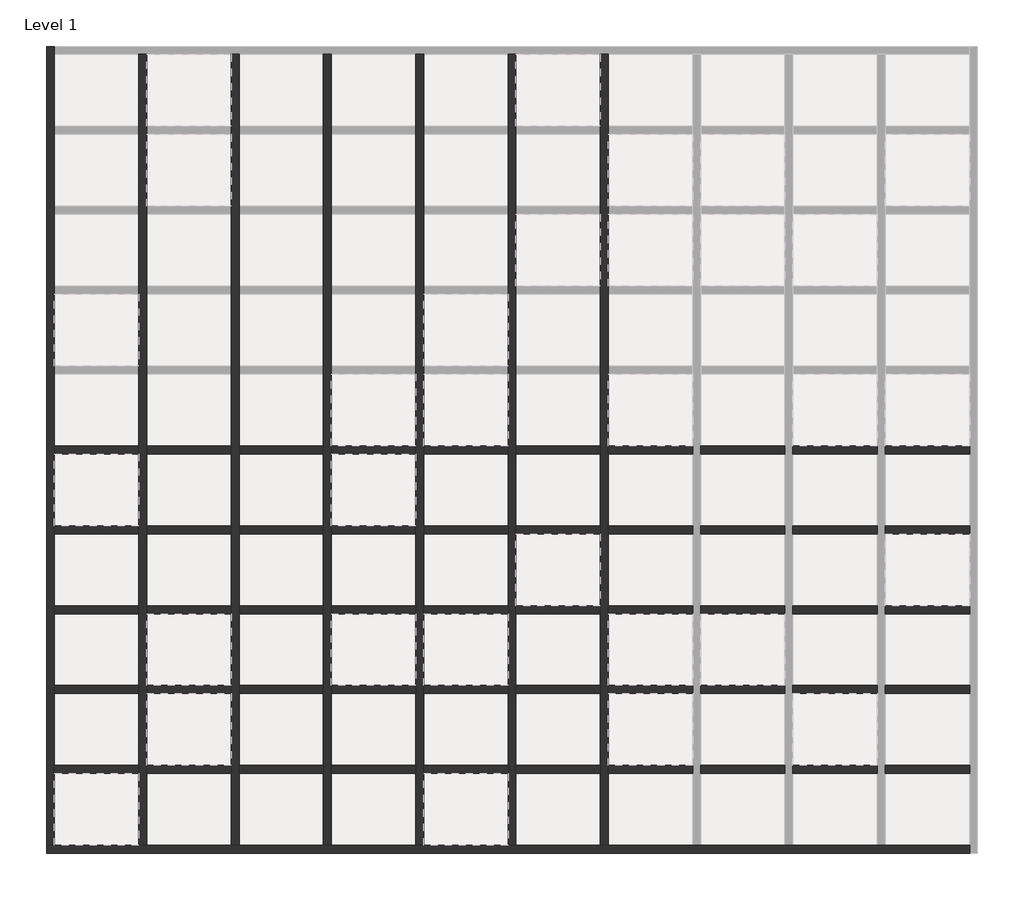
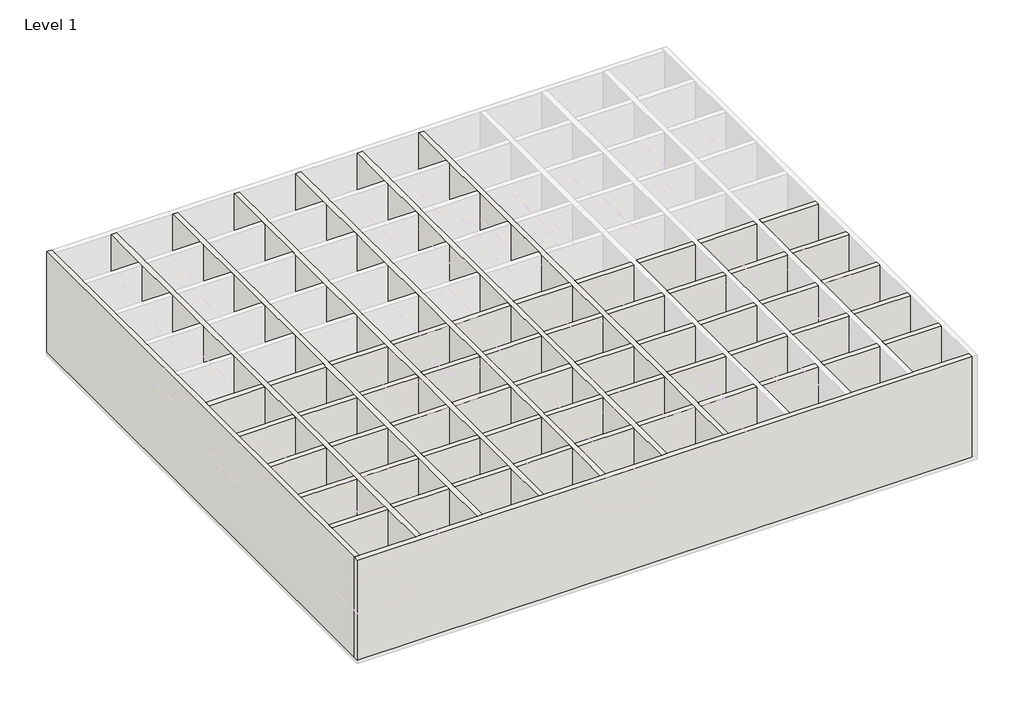
# One storey, part 1 of 2: 13 walls.
"""IFC4 building model written with IfcOpenShell, lengths in millimetres."""

from ifc_helpers import new_model, si_unit, origin, origin_with_axes, place, context, project, spatial, polyline, outline, extrude, faceted_brep, element, save

model = new_model("IFC4")

# Units and contexts
model_context = context("Model", 3, world=origin())
ifc_project = project(units=[si_unit("LENGTHUNIT", "METRE", prefix="MILLI")], contexts=[model_context])

# Site, building, storey
site = spatial("IfcSite", under=ifc_project)
building = spatial("IfcBuilding", under=site)
storey = spatial("IfcBuildingStorey", under=building, Name="Level 1", Elevation=0.0)

# Walls
placement = place(None, origin())
element("IfcWall", 1, ObjectType="Generic - 200mm", at=placement, inside=storey, context=model_context, shape_type="Brep", body=[
    faceted_brep([(-15110.2064839, 9457.4578138, 0.0), (-15110.2064839, -10653.6532974, 0.0), (-15110.2064839, -10653.6532974, 4000.0), (-15110.2064839, 9457.4578138, 4000.0), (-14910.2064839, 9457.4578138, 0.0), (-14910.2064839, 9457.4578138, 4000.0), (-14910.2064839, 9257.4578138, 4000.0), (-14910.2064839, 7446.3467026, 4000.0), (-14910.2064839, 7246.3467026, 4000.0), (-14910.2064839, 5435.2355915, 4000.0), (-14910.2064839, 5235.2355915, 4000.0), (-14910.2064839, 3424.1244804, 4000.0), (-14910.2064839, 3224.1244804, 4000.0), (-14910.2064839, 1413.0133693, 4000.0), (-14910.2064839, 1213.0133693, 4000.0), (-14910.2064839, -598.0977418, 4000.0), (-14910.2064839, -798.0977418, 4000.0), (-14910.2064839, -2609.2088529, 4000.0), (-14910.2064839, -2809.2088529, 4000.0), (-14910.2064839, -4620.319964, 4000.0), (-14910.2064839, -4820.319964, 4000.0), (-14910.2064839, -6631.4310751, 4000.0), (-14910.2064839, -6831.4310751, 4000.0), (-14910.2064839, -8642.5421862, 4000.0), (-14910.2064839, -8842.5421862, 4000.0), (-14910.2064839, -10653.6532974, 4000.0), (-14910.2064839, -10653.6532974, 0.0), (-14910.2064839, -8842.5421862, 0.0), (-14910.2064839, -8642.5421862, 0.0), (-14910.2064839, -6831.4310751, 0.0), (-14910.2064839, -6631.4310751, 0.0), (-14910.2064839, -4820.319964, 0.0), (-14910.2064839, -4620.319964, 0.0), (-14910.2064839, -2809.2088529, 0.0), (-14910.2064839, -2609.2088529, 0.0), (-14910.2064839, -798.0977418, 0.0), (-14910.2064839, -598.0977418, 0.0), (-14910.2064839, 1213.0133693, 0.0), (-14910.2064839, 1413.0133693, 0.0), (-14910.2064839, 3224.1244804, 0.0), (-14910.2064839, 3424.1244804, 0.0), (-14910.2064839, 5235.2355915, 0.0), (-14910.2064839, 5435.2355915, 0.0), (-14910.2064839, 7246.3467026, 0.0), (-14910.2064839, 7446.3467026, 0.0), (-14910.2064839, 9257.4578138, 0.0)], [[[0, 1, 2, 3]], [[4, 5, 6, 7, 8, 9, 10, 11, 12, 13, 14, 15, 16, 17, 18, 19, 20, 21, 22, 23, 24, 25, 26, 27, 28, 29, 30, 31, 32, 33, 34, 35, 36, 37, 38, 39, 40, 41, 42, 43, 44, 45]], [[1, 0, 4, 45, 44, 43, 42, 41, 40, 39, 38, 37, 36, 35, 34, 33, 32, 31, 30, 29, 28, 27, 26]], [[3, 2, 25, 24, 23, 22, 21, 20, 19, 18, 17, 16, 15, 14, 13, 12, 11, 10, 9, 8, 7, 6, 5]], [[0, 3, 5, 4]], [[2, 1, 26, 25]]]),
])
element("IfcWall", 2, ObjectType="Generic - 200mm", at=placement, inside=storey, context=model_context, shape_type="Brep", body=[
    faceted_brep([(-12787.9842617, 9257.4578138, 0.0), (-12787.9842617, 7446.3467026, 0.0), (-12787.9842617, 7246.3467026, 0.0), (-12787.9842617, 5435.2355915, 0.0), (-12787.9842617, 5235.2355915, 0.0), (-12787.9842617, 3424.1244804, 0.0), (-12787.9842617, 3224.1244804, 0.0), (-12787.9842617, 1413.0133693, 0.0), (-12787.9842617, 1213.0133693, 0.0), (-12787.9842617, -598.0977418, 0.0), (-12787.9842617, -798.0977418, 0.0), (-12787.9842617, -2609.2088529, 0.0), (-12787.9842617, -2809.2088529, 0.0), (-12787.9842617, -4620.319964, 0.0), (-12787.9842617, -4820.319964, 0.0), (-12787.9842617, -6631.4310751, 0.0), (-12787.9842617, -6831.4310751, 0.0), (-12787.9842617, -8642.5421862, 0.0), (-12787.9842617, -8842.5421862, 0.0), (-12787.9842617, -10653.6532974, 0.0), (-12787.9842617, -10653.6532974, 4000.0), (-12787.9842617, -8842.5421862, 4000.0), (-12787.9842617, -8642.5421862, 4000.0), (-12787.9842617, -6831.4310751, 4000.0), (-12787.9842617, -6631.4310751, 4000.0), (-12787.9842617, -4820.319964, 4000.0), (-12787.9842617, -4620.319964, 4000.0), (-12787.9842617, -2809.2088529, 4000.0), (-12787.9842617, -2609.2088529, 4000.0), (-12787.9842617, -798.0977418, 4000.0), (-12787.9842617, -598.0977418, 4000.0), (-12787.9842617, 1213.0133693, 4000.0), (-12787.9842617, 1413.0133693, 4000.0), (-12787.9842617, 3224.1244804, 4000.0), (-12787.9842617, 3424.1244804, 4000.0), (-12787.9842617, 5235.2355915, 4000.0), (-12787.9842617, 5435.2355915, 4000.0), (-12787.9842617, 7246.3467026, 4000.0), (-12787.9842617, 7446.3467026, 4000.0), (-12787.9842617, 9257.4578138, 4000.0), (-12587.9842617, 9257.4578138, 0.0), (-12587.9842617, 9257.4578138, 4000.0), (-12587.9842617, 7446.3467026, 4000.0), (-12587.9842617, 7246.3467026, 4000.0), (-12587.9842617, 5435.2355915, 4000.0), (-12587.9842617, 5235.2355915, 4000.0), (-12587.9842617, 3424.1244804, 4000.0), (-12587.9842617, 3224.1244804, 4000.0), (-12587.9842617, 1413.0133693, 4000.0), (-12587.9842617, 1213.0133693, 4000.0), (-12587.9842617, -598.0977418, 4000.0), (-12587.9842617, -798.0977418, 4000.0), (-12587.9842617, -2609.2088529, 4000.0), (-12587.9842617, -2809.2088529, 4000.0), (-12587.9842617, -4620.319964, 4000.0), (-12587.9842617, -4820.319964, 4000.0), (-12587.9842617, -6631.4310751, 4000.0), (-12587.9842617, -6831.4310751, 4000.0), (-12587.9842617, -8642.5421862, 4000.0), (-12587.9842617, -8842.5421862, 4000.0), (-12587.9842617, -10653.6532974, 4000.0), (-12587.9842617, -10653.6532974, 0.0), (-12587.9842617, -8842.5421862, 0.0), (-12587.9842617, -8642.5421862, 0.0), (-12587.9842617, -6831.4310751, 0.0), (-12587.9842617, -6631.4310751, 0.0), (-12587.9842617, -4820.319964, 0.0), (-12587.9842617, -4620.319964, 0.0), (-12587.9842617, -2809.2088529, 0.0), (-12587.9842617, -2609.2088529, 0.0), (-12587.9842617, -798.0977418, 0.0), (-12587.9842617, -598.0977418, 0.0), (-12587.9842617, 1213.0133693, 0.0), (-12587.9842617, 1413.0133693, 0.0), (-12587.9842617, 3224.1244804, 0.0), (-12587.9842617, 3424.1244804, 0.0), (-12587.9842617, 5235.2355915, 0.0), (-12587.9842617, 5435.2355915, 0.0), (-12587.9842617, 7246.3467026, 0.0), (-12587.9842617, 7446.3467026, 0.0)], [[[0, 1, 2, 3, 4, 5, 6, 7, 8, 9, 10, 11, 12, 13, 14, 15, 16, 17, 18, 19, 20, 21, 22, 23, 24, 25, 26, 27, 28, 29, 30, 31, 32, 33, 34, 35, 36, 37, 38, 39]], [[40, 41, 42, 43, 44, 45, 46, 47, 48, 49, 50, 51, 52, 53, 54, 55, 56, 57, 58, 59, 60, 61, 62, 63, 64, 65, 66, 67, 68, 69, 70, 71, 72, 73, 74, 75, 76, 77, 78, 79]], [[19, 18, 17, 16, 15, 14, 13, 12, 11, 10, 9, 8, 7, 6, 5, 4, 3, 2, 1, 0, 40, 79, 78, 77, 76, 75, 74, 73, 72, 71, 70, 69, 68, 67, 66, 65, 64, 63, 62, 61]], [[39, 38, 37, 36, 35, 34, 33, 32, 31, 30, 29, 28, 27, 26, 25, 24, 23, 22, 21, 20, 60, 59, 58, 57, 56, 55, 54, 53, 52, 51, 50, 49, 48, 47, 46, 45, 44, 43, 42, 41]], [[0, 39, 41, 40]], [[20, 19, 61, 60]]]),
])
element("IfcWall", 3, ObjectType="Generic - 200mm", at=placement, inside=storey, context=model_context, shape_type="Brep", body=[
    faceted_brep([(-10465.7620395, 9257.4578138, 0.0), (-10465.7620395, 7446.3467026, 0.0), (-10465.7620395, 7246.3467026, 0.0), (-10465.7620395, 5435.2355915, 0.0), (-10465.7620395, 5235.2355915, 0.0), (-10465.7620395, 3424.1244804, 0.0), (-10465.7620395, 3224.1244804, 0.0), (-10465.7620395, 1413.0133693, 0.0), (-10465.7620395, 1213.0133693, 0.0), (-10465.7620395, -598.0977418, 0.0), (-10465.7620395, -798.0977418, 0.0), (-10465.7620395, -2609.2088529, 0.0), (-10465.7620395, -2809.2088529, 0.0), (-10465.7620395, -4620.319964, 0.0), (-10465.7620395, -4820.319964, 0.0), (-10465.7620395, -6631.4310751, 0.0), (-10465.7620395, -6831.4310751, 0.0), (-10465.7620395, -8642.5421862, 0.0), (-10465.7620395, -8842.5421862, 0.0), (-10465.7620395, -10653.6532974, 0.0), (-10465.7620395, -10653.6532974, 4000.0), (-10465.7620395, -8842.5421862, 4000.0), (-10465.7620395, -8642.5421862, 4000.0), (-10465.7620395, -6831.4310751, 4000.0), (-10465.7620395, -6631.4310751, 4000.0), (-10465.7620395, -4820.319964, 4000.0), (-10465.7620395, -4620.319964, 4000.0), (-10465.7620395, -2809.2088529, 4000.0), (-10465.7620395, -2609.2088529, 4000.0), (-10465.7620395, -798.0977418, 4000.0), (-10465.7620395, -598.0977418, 4000.0), (-10465.7620395, 1213.0133693, 4000.0), (-10465.7620395, 1413.0133693, 4000.0), (-10465.7620395, 3224.1244804, 4000.0), (-10465.7620395, 3424.1244804, 4000.0), (-10465.7620395, 5235.2355915, 4000.0), (-10465.7620395, 5435.2355915, 4000.0), (-10465.7620395, 7246.3467026, 4000.0), (-10465.7620395, 7446.3467026, 4000.0), (-10465.7620395, 9257.4578138, 4000.0), (-10265.7620395, 9257.4578138, 0.0), (-10265.7620395, 9257.4578138, 4000.0), (-10265.7620395, 7446.3467026, 4000.0), (-10265.7620395, 7246.3467026, 4000.0), (-10265.7620395, 5435.2355915, 4000.0), (-10265.7620395, 5235.2355915, 4000.0), (-10265.7620395, 3424.1244804, 4000.0), (-10265.7620395, 3224.1244804, 4000.0), (-10265.7620395, 1413.0133693, 4000.0), (-10265.7620395, 1213.0133693, 4000.0), (-10265.7620395, -598.0977418, 4000.0), (-10265.7620395, -798.0977418, 4000.0), (-10265.7620395, -2609.2088529, 4000.0), (-10265.7620395, -2809.2088529, 4000.0), (-10265.7620395, -4620.319964, 4000.0), (-10265.7620395, -4820.319964, 4000.0), (-10265.7620395, -6631.4310751, 4000.0), (-10265.7620395, -6831.4310751, 4000.0), (-10265.7620395, -8642.5421862, 4000.0), (-10265.7620395, -8842.5421862, 4000.0), (-10265.7620395, -10653.6532974, 4000.0), (-10265.7620395, -10653.6532974, 0.0), (-10265.7620395, -8842.5421862, 0.0), (-10265.7620395, -8642.5421862, 0.0), (-10265.7620395, -6831.4310751, 0.0), (-10265.7620395, -6631.4310751, 0.0), (-10265.7620395, -4820.319964, 0.0), (-10265.7620395, -4620.319964, 0.0), (-10265.7620395, -2809.2088529, 0.0), (-10265.7620395, -2609.2088529, 0.0), (-10265.7620395, -798.0977418, 0.0), (-10265.7620395, -598.0977418, 0.0), (-10265.7620395, 1213.0133693, 0.0), (-10265.7620395, 1413.0133693, 0.0), (-10265.7620395, 3224.1244804, 0.0), (-10265.7620395, 3424.1244804, 0.0), (-10265.7620395, 5235.2355915, 0.0), (-10265.7620395, 5435.2355915, 0.0), (-10265.7620395, 7246.3467026, 0.0), (-10265.7620395, 7446.3467026, 0.0)], [[[0, 1, 2, 3, 4, 5, 6, 7, 8, 9, 10, 11, 12, 13, 14, 15, 16, 17, 18, 19, 20, 21, 22, 23, 24, 25, 26, 27, 28, 29, 30, 31, 32, 33, 34, 35, 36, 37, 38, 39]], [[40, 41, 42, 43, 44, 45, 46, 47, 48, 49, 50, 51, 52, 53, 54, 55, 56, 57, 58, 59, 60, 61, 62, 63, 64, 65, 66, 67, 68, 69, 70, 71, 72, 73, 74, 75, 76, 77, 78, 79]], [[19, 18, 17, 16, 15, 14, 13, 12, 11, 10, 9, 8, 7, 6, 5, 4, 3, 2, 1, 0, 40, 79, 78, 77, 76, 75, 74, 73, 72, 71, 70, 69, 68, 67, 66, 65, 64, 63, 62, 61]], [[39, 38, 37, 36, 35, 34, 33, 32, 31, 30, 29, 28, 27, 26, 25, 24, 23, 22, 21, 20, 60, 59, 58, 57, 56, 55, 54, 53, 52, 51, 50, 49, 48, 47, 46, 45, 44, 43, 42, 41]], [[0, 39, 41, 40]], [[20, 19, 61, 60]]]),
])
element("IfcWall", 4, ObjectType="Generic - 200mm", at=placement, inside=storey, context=model_context, shape_type="Brep", body=[
    faceted_brep([(-8143.5398173, 9257.4578138, 0.0), (-8143.5398173, 7446.3467026, 0.0), (-8143.5398173, 7246.3467026, 0.0), (-8143.5398173, 5435.2355915, 0.0), (-8143.5398173, 5235.2355915, 0.0), (-8143.5398173, 3424.1244804, 0.0), (-8143.5398173, 3224.1244804, 0.0), (-8143.5398173, 1413.0133693, 0.0), (-8143.5398173, 1213.0133693, 0.0), (-8143.5398173, -598.0977418, 0.0), (-8143.5398173, -798.0977418, 0.0), (-8143.5398173, -2609.2088529, 0.0), (-8143.5398173, -2809.2088529, 0.0), (-8143.5398173, -4620.319964, 0.0), (-8143.5398173, -4820.319964, 0.0), (-8143.5398173, -6631.4310751, 0.0), (-8143.5398173, -6831.4310751, 0.0), (-8143.5398173, -8642.5421862, 0.0), (-8143.5398173, -8842.5421862, 0.0), (-8143.5398173, -10653.6532974, 0.0), (-8143.5398173, -10653.6532974, 4000.0), (-8143.5398173, -8842.5421862, 4000.0), (-8143.5398173, -8642.5421862, 4000.0), (-8143.5398173, -6831.4310751, 4000.0), (-8143.5398173, -6631.4310751, 4000.0), (-8143.5398173, -4820.319964, 4000.0), (-8143.5398173, -4620.319964, 4000.0), (-8143.5398173, -2809.2088529, 4000.0), (-8143.5398173, -2609.2088529, 4000.0), (-8143.5398173, -798.0977418, 4000.0), (-8143.5398173, -598.0977418, 4000.0), (-8143.5398173, 1213.0133693, 4000.0), (-8143.5398173, 1413.0133693, 4000.0), (-8143.5398173, 3224.1244804, 4000.0), (-8143.5398173, 3424.1244804, 4000.0), (-8143.5398173, 5235.2355915, 4000.0), (-8143.5398173, 5435.2355915, 4000.0), (-8143.5398173, 7246.3467026, 4000.0), (-8143.5398173, 7446.3467026, 4000.0), (-8143.5398173, 9257.4578138, 4000.0), (-7943.5398173, 9257.4578138, 0.0), (-7943.5398173, 9257.4578138, 4000.0), (-7943.5398173, 7446.3467026, 4000.0), (-7943.5398173, 7246.3467026, 4000.0), (-7943.5398173, 5435.2355915, 4000.0), (-7943.5398173, 5235.2355915, 4000.0), (-7943.5398173, 3424.1244804, 4000.0), (-7943.5398173, 3224.1244804, 4000.0), (-7943.5398173, 1413.0133693, 4000.0), (-7943.5398173, 1213.0133693, 4000.0), (-7943.5398173, -598.0977418, 4000.0), (-7943.5398173, -798.0977418, 4000.0), (-7943.5398173, -2609.2088529, 4000.0), (-7943.5398173, -2809.2088529, 4000.0), (-7943.5398173, -4620.319964, 4000.0), (-7943.5398173, -4820.319964, 4000.0), (-7943.5398173, -6631.4310751, 4000.0), (-7943.5398173, -6831.4310751, 4000.0), (-7943.5398173, -8642.5421862, 4000.0), (-7943.5398173, -8842.5421862, 4000.0), (-7943.5398173, -10653.6532974, 4000.0), (-7943.5398173, -10653.6532974, 0.0), (-7943.5398173, -8842.5421862, 0.0), (-7943.5398173, -8642.5421862, 0.0), (-7943.5398173, -6831.4310751, 0.0), (-7943.5398173, -6631.4310751, 0.0), (-7943.5398173, -4820.319964, 0.0), (-7943.5398173, -4620.319964, 0.0), (-7943.5398173, -2809.2088529, 0.0), (-7943.5398173, -2609.2088529, 0.0), (-7943.5398173, -798.0977418, 0.0), (-7943.5398173, -598.0977418, 0.0), (-7943.5398173, 1213.0133693, 0.0), (-7943.5398173, 1413.0133693, 0.0), (-7943.5398173, 3224.1244804, 0.0), (-7943.5398173, 3424.1244804, 0.0), (-7943.5398173, 5235.2355915, 0.0), (-7943.5398173, 5435.2355915, 0.0), (-7943.5398173, 7246.3467026, 0.0), (-7943.5398173, 7446.3467026, 0.0)], [[[0, 1, 2, 3, 4, 5, 6, 7, 8, 9, 10, 11, 12, 13, 14, 15, 16, 17, 18, 19, 20, 21, 22, 23, 24, 25, 26, 27, 28, 29, 30, 31, 32, 33, 34, 35, 36, 37, 38, 39]], [[40, 41, 42, 43, 44, 45, 46, 47, 48, 49, 50, 51, 52, 53, 54, 55, 56, 57, 58, 59, 60, 61, 62, 63, 64, 65, 66, 67, 68, 69, 70, 71, 72, 73, 74, 75, 76, 77, 78, 79]], [[19, 18, 17, 16, 15, 14, 13, 12, 11, 10, 9, 8, 7, 6, 5, 4, 3, 2, 1, 0, 40, 79, 78, 77, 76, 75, 74, 73, 72, 71, 70, 69, 68, 67, 66, 65, 64, 63, 62, 61]], [[39, 38, 37, 36, 35, 34, 33, 32, 31, 30, 29, 28, 27, 26, 25, 24, 23, 22, 21, 20, 60, 59, 58, 57, 56, 55, 54, 53, 52, 51, 50, 49, 48, 47, 46, 45, 44, 43, 42, 41]], [[0, 39, 41, 40]], [[20, 19, 61, 60]]]),
])
element("IfcWall", 5, ObjectType="Generic - 200mm", at=placement, inside=storey, context=model_context, shape_type="Brep", body=[
    faceted_brep([(-5821.3175951, 9257.4578138, 0.0), (-5821.3175951, 7446.3467026, 0.0), (-5821.3175951, 7246.3467026, 0.0), (-5821.3175951, 5435.2355915, 0.0), (-5821.3175951, 5235.2355915, 0.0), (-5821.3175951, 3424.1244804, 0.0), (-5821.3175951, 3224.1244804, 0.0), (-5821.3175951, 1413.0133693, 0.0), (-5821.3175951, 1213.0133693, 0.0), (-5821.3175951, -598.0977418, 0.0), (-5821.3175951, -798.0977418, 0.0), (-5821.3175951, -2609.2088529, 0.0), (-5821.3175951, -2809.2088529, 0.0), (-5821.3175951, -4620.319964, 0.0), (-5821.3175951, -4820.319964, 0.0), (-5821.3175951, -6631.4310751, 0.0), (-5821.3175951, -6831.4310751, 0.0), (-5821.3175951, -8642.5421862, 0.0), (-5821.3175951, -8842.5421862, 0.0), (-5821.3175951, -10653.6532974, 0.0), (-5821.3175951, -10653.6532974, 4000.0), (-5821.3175951, -8842.5421862, 4000.0), (-5821.3175951, -8642.5421862, 4000.0), (-5821.3175951, -6831.4310751, 4000.0), (-5821.3175951, -6631.4310751, 4000.0), (-5821.3175951, -4820.319964, 4000.0), (-5821.3175951, -4620.319964, 4000.0), (-5821.3175951, -2809.2088529, 4000.0), (-5821.3175951, -2609.2088529, 4000.0), (-5821.3175951, -798.0977418, 4000.0), (-5821.3175951, -598.0977418, 4000.0), (-5821.3175951, 1213.0133693, 4000.0), (-5821.3175951, 1413.0133693, 4000.0), (-5821.3175951, 3224.1244804, 4000.0), (-5821.3175951, 3424.1244804, 4000.0), (-5821.3175951, 5235.2355915, 4000.0), (-5821.3175951, 5435.2355915, 4000.0), (-5821.3175951, 7246.3467026, 4000.0), (-5821.3175951, 7446.3467026, 4000.0), (-5821.3175951, 9257.4578138, 4000.0), (-5621.3175951, 9257.4578138, 0.0), (-5621.3175951, 9257.4578138, 4000.0), (-5621.3175951, 7446.3467026, 4000.0), (-5621.3175951, 7246.3467026, 4000.0), (-5621.3175951, 5435.2355915, 4000.0), (-5621.3175951, 5235.2355915, 4000.0), (-5621.3175951, 3424.1244804, 4000.0), (-5621.3175951, 3224.1244804, 4000.0), (-5621.3175951, 1413.0133693, 4000.0), (-5621.3175951, 1213.0133693, 4000.0), (-5621.3175951, -598.0977418, 4000.0), (-5621.3175951, -798.0977418, 4000.0), (-5621.3175951, -2609.2088529, 4000.0), (-5621.3175951, -2809.2088529, 4000.0), (-5621.3175951, -4620.319964, 4000.0), (-5621.3175951, -4820.319964, 4000.0), (-5621.3175951, -6631.4310751, 4000.0), (-5621.3175951, -6831.4310751, 4000.0), (-5621.3175951, -8642.5421862, 4000.0), (-5621.3175951, -8842.5421862, 4000.0), (-5621.3175951, -10653.6532974, 4000.0), (-5621.3175951, -10653.6532974, 0.0), (-5621.3175951, -8842.5421862, 0.0), (-5621.3175951, -8642.5421862, 0.0), (-5621.3175951, -6831.4310751, 0.0), (-5621.3175951, -6631.4310751, 0.0), (-5621.3175951, -4820.319964, 0.0), (-5621.3175951, -4620.319964, 0.0), (-5621.3175951, -2809.2088529, 0.0), (-5621.3175951, -2609.2088529, 0.0), (-5621.3175951, -798.0977418, 0.0), (-5621.3175951, -598.0977418, 0.0), (-5621.3175951, 1213.0133693, 0.0), (-5621.3175951, 1413.0133693, 0.0), (-5621.3175951, 3224.1244804, 0.0), (-5621.3175951, 3424.1244804, 0.0), (-5621.3175951, 5235.2355915, 0.0), (-5621.3175951, 5435.2355915, 0.0), (-5621.3175951, 7246.3467026, 0.0), (-5621.3175951, 7446.3467026, 0.0)], [[[0, 1, 2, 3, 4, 5, 6, 7, 8, 9, 10, 11, 12, 13, 14, 15, 16, 17, 18, 19, 20, 21, 22, 23, 24, 25, 26, 27, 28, 29, 30, 31, 32, 33, 34, 35, 36, 37, 38, 39]], [[40, 41, 42, 43, 44, 45, 46, 47, 48, 49, 50, 51, 52, 53, 54, 55, 56, 57, 58, 59, 60, 61, 62, 63, 64, 65, 66, 67, 68, 69, 70, 71, 72, 73, 74, 75, 76, 77, 78, 79]], [[19, 18, 17, 16, 15, 14, 13, 12, 11, 10, 9, 8, 7, 6, 5, 4, 3, 2, 1, 0, 40, 79, 78, 77, 76, 75, 74, 73, 72, 71, 70, 69, 68, 67, 66, 65, 64, 63, 62, 61]], [[39, 38, 37, 36, 35, 34, 33, 32, 31, 30, 29, 28, 27, 26, 25, 24, 23, 22, 21, 20, 60, 59, 58, 57, 56, 55, 54, 53, 52, 51, 50, 49, 48, 47, 46, 45, 44, 43, 42, 41]], [[0, 39, 41, 40]], [[20, 19, 61, 60]]]),
])
element("IfcWall", 6, ObjectType="Generic - 200mm", at=placement, inside=storey, context=model_context, shape_type="Brep", body=[
    faceted_brep([(-3499.0953728, 9257.4578138, 0.0), (-3499.0953728, 7446.3467026, 0.0), (-3499.0953728, 7246.3467026, 0.0), (-3499.0953728, 5435.2355915, 0.0), (-3499.0953728, 5235.2355915, 0.0), (-3499.0953728, 3424.1244804, 0.0), (-3499.0953728, 3224.1244804, 0.0), (-3499.0953728, 1413.0133693, 0.0), (-3499.0953728, 1213.0133693, 0.0), (-3499.0953728, -598.0977418, 0.0), (-3499.0953728, -798.0977418, 0.0), (-3499.0953728, -2609.2088529, 0.0), (-3499.0953728, -2809.2088529, 0.0), (-3499.0953728, -4620.319964, 0.0), (-3499.0953728, -4820.319964, 0.0), (-3499.0953728, -6631.4310751, 0.0), (-3499.0953728, -6831.4310751, 0.0), (-3499.0953728, -8642.5421862, 0.0), (-3499.0953728, -8842.5421862, 0.0), (-3499.0953728, -10653.6532974, 0.0), (-3499.0953728, -10653.6532974, 4000.0), (-3499.0953728, -8842.5421862, 4000.0), (-3499.0953728, -8642.5421862, 4000.0), (-3499.0953728, -6831.4310751, 4000.0), (-3499.0953728, -6631.4310751, 4000.0), (-3499.0953728, -4820.319964, 4000.0), (-3499.0953728, -4620.319964, 4000.0), (-3499.0953728, -2809.2088529, 4000.0), (-3499.0953728, -2609.2088529, 4000.0), (-3499.0953728, -798.0977418, 4000.0), (-3499.0953728, -598.0977418, 4000.0), (-3499.0953728, 1213.0133693, 4000.0), (-3499.0953728, 1413.0133693, 4000.0), (-3499.0953728, 3224.1244804, 4000.0), (-3499.0953728, 3424.1244804, 4000.0), (-3499.0953728, 5235.2355915, 4000.0), (-3499.0953728, 5435.2355915, 4000.0), (-3499.0953728, 7246.3467026, 4000.0), (-3499.0953728, 7446.3467026, 4000.0), (-3499.0953728, 9257.4578138, 4000.0), (-3299.0953728, 9257.4578138, 0.0), (-3299.0953728, 9257.4578138, 4000.0), (-3299.0953728, 7446.3467026, 4000.0), (-3299.0953728, 7246.3467026, 4000.0), (-3299.0953728, 5435.2355915, 4000.0), (-3299.0953728, 5235.2355915, 4000.0), (-3299.0953728, 3424.1244804, 4000.0), (-3299.0953728, 3224.1244804, 4000.0), (-3299.0953728, 1413.0133693, 4000.0), (-3299.0953728, 1213.0133693, 4000.0), (-3299.0953728, -598.0977418, 4000.0), (-3299.0953728, -798.0977418, 4000.0), (-3299.0953728, -2609.2088529, 4000.0), (-3299.0953728, -2809.2088529, 4000.0), (-3299.0953728, -4620.319964, 4000.0), (-3299.0953728, -4820.319964, 4000.0), (-3299.0953728, -6631.4310751, 4000.0), (-3299.0953728, -6831.4310751, 4000.0), (-3299.0953728, -8642.5421862, 4000.0), (-3299.0953728, -8842.5421862, 4000.0), (-3299.0953728, -10653.6532974, 4000.0), (-3299.0953728, -10653.6532974, 0.0), (-3299.0953728, -8842.5421862, 0.0), (-3299.0953728, -8642.5421862, 0.0), (-3299.0953728, -6831.4310751, 0.0), (-3299.0953728, -6631.4310751, 0.0), (-3299.0953728, -4820.319964, 0.0), (-3299.0953728, -4620.319964, 0.0), (-3299.0953728, -2809.2088529, 0.0), (-3299.0953728, -2609.2088529, 0.0), (-3299.0953728, -798.0977418, 0.0), (-3299.0953728, -598.0977418, 0.0), (-3299.0953728, 1213.0133693, 0.0), (-3299.0953728, 1413.0133693, 0.0), (-3299.0953728, 3224.1244804, 0.0), (-3299.0953728, 3424.1244804, 0.0), (-3299.0953728, 5235.2355915, 0.0), (-3299.0953728, 5435.2355915, 0.0), (-3299.0953728, 7246.3467026, 0.0), (-3299.0953728, 7446.3467026, 0.0)], [[[0, 1, 2, 3, 4, 5, 6, 7, 8, 9, 10, 11, 12, 13, 14, 15, 16, 17, 18, 19, 20, 21, 22, 23, 24, 25, 26, 27, 28, 29, 30, 31, 32, 33, 34, 35, 36, 37, 38, 39]], [[40, 41, 42, 43, 44, 45, 46, 47, 48, 49, 50, 51, 52, 53, 54, 55, 56, 57, 58, 59, 60, 61, 62, 63, 64, 65, 66, 67, 68, 69, 70, 71, 72, 73, 74, 75, 76, 77, 78, 79]], [[19, 18, 17, 16, 15, 14, 13, 12, 11, 10, 9, 8, 7, 6, 5, 4, 3, 2, 1, 0, 40, 79, 78, 77, 76, 75, 74, 73, 72, 71, 70, 69, 68, 67, 66, 65, 64, 63, 62, 61]], [[39, 38, 37, 36, 35, 34, 33, 32, 31, 30, 29, 28, 27, 26, 25, 24, 23, 22, 21, 20, 60, 59, 58, 57, 56, 55, 54, 53, 52, 51, 50, 49, 48, 47, 46, 45, 44, 43, 42, 41]], [[0, 39, 41, 40]], [[20, 19, 61, 60]]]),
])
element("IfcWall", 7, ObjectType="Generic - 200mm", at=placement, inside=storey, context=model_context, shape_type="Brep", body=[
    faceted_brep([(-1176.8731506, 9257.4578138, 0.0), (-1176.8731506, 7446.3467026, 0.0), (-1176.8731506, 7246.3467026, 0.0), (-1176.8731506, 5435.2355915, 0.0), (-1176.8731506, 5235.2355915, 0.0), (-1176.8731506, 3424.1244804, 0.0), (-1176.8731506, 3224.1244804, 0.0), (-1176.8731506, 1413.0133693, 0.0), (-1176.8731506, 1213.0133693, 0.0), (-1176.8731506, -598.0977418, 0.0), (-1176.8731506, -798.0977418, 0.0), (-1176.8731506, -2609.2088529, 0.0), (-1176.8731506, -2809.2088529, 0.0), (-1176.8731506, -4620.319964, 0.0), (-1176.8731506, -4820.319964, 0.0), (-1176.8731506, -6631.4310751, 0.0), (-1176.8731506, -6831.4310751, 0.0), (-1176.8731506, -8642.5421862, 0.0), (-1176.8731506, -8842.5421862, 0.0), (-1176.8731506, -10653.6532974, 0.0), (-1176.8731506, -10653.6532974, 4000.0), (-1176.8731506, -8842.5421862, 4000.0), (-1176.8731506, -8642.5421862, 4000.0), (-1176.8731506, -6831.4310751, 4000.0), (-1176.8731506, -6631.4310751, 4000.0), (-1176.8731506, -4820.319964, 4000.0), (-1176.8731506, -4620.319964, 4000.0), (-1176.8731506, -2809.2088529, 4000.0), (-1176.8731506, -2609.2088529, 4000.0), (-1176.8731506, -798.0977418, 4000.0), (-1176.8731506, -598.0977418, 4000.0), (-1176.8731506, 1213.0133693, 4000.0), (-1176.8731506, 1413.0133693, 4000.0), (-1176.8731506, 3224.1244804, 4000.0), (-1176.8731506, 3424.1244804, 4000.0), (-1176.8731506, 5235.2355915, 4000.0), (-1176.8731506, 5435.2355915, 4000.0), (-1176.8731506, 7246.3467026, 4000.0), (-1176.8731506, 7446.3467026, 4000.0), (-1176.8731506, 9257.4578138, 4000.0), (-976.8731506, 9257.4578138, 0.0), (-976.8731506, 9257.4578138, 4000.0), (-976.8731506, 7446.3467026, 4000.0), (-976.8731506, 7246.3467026, 4000.0), (-976.8731506, 5435.2355915, 4000.0), (-976.8731506, 5235.2355915, 4000.0), (-976.8731506, 3424.1244804, 4000.0), (-976.8731506, 3224.1244804, 4000.0), (-976.8731506, 1413.0133693, 4000.0), (-976.8731506, 1213.0133693, 4000.0), (-976.8731506, -598.0977418, 4000.0), (-976.8731506, -798.0977418, 4000.0), (-976.8731506, -2609.2088529, 4000.0), (-976.8731506, -2809.2088529, 4000.0), (-976.8731506, -4620.319964, 4000.0), (-976.8731506, -4820.319964, 4000.0), (-976.8731506, -6631.4310751, 4000.0), (-976.8731506, -6831.4310751, 4000.0), (-976.8731506, -8642.5421862, 4000.0), (-976.8731506, -8842.5421862, 4000.0), (-976.8731506, -10653.6532974, 4000.0), (-976.8731506, -10653.6532974, 0.0), (-976.8731506, -8842.5421862, 0.0), (-976.8731506, -8642.5421862, 0.0), (-976.8731506, -6831.4310751, 0.0), (-976.8731506, -6631.4310751, 0.0), (-976.8731506, -4820.319964, 0.0), (-976.8731506, -4620.319964, 0.0), (-976.8731506, -2809.2088529, 0.0), (-976.8731506, -2609.2088529, 0.0), (-976.8731506, -798.0977418, 0.0), (-976.8731506, -598.0977418, 0.0), (-976.8731506, 1213.0133693, 0.0), (-976.8731506, 1413.0133693, 0.0), (-976.8731506, 3224.1244804, 0.0), (-976.8731506, 3424.1244804, 0.0), (-976.8731506, 5235.2355915, 0.0), (-976.8731506, 5435.2355915, 0.0), (-976.8731506, 7246.3467026, 0.0), (-976.8731506, 7446.3467026, 0.0)], [[[0, 1, 2, 3, 4, 5, 6, 7, 8, 9, 10, 11, 12, 13, 14, 15, 16, 17, 18, 19, 20, 21, 22, 23, 24, 25, 26, 27, 28, 29, 30, 31, 32, 33, 34, 35, 36, 37, 38, 39]], [[40, 41, 42, 43, 44, 45, 46, 47, 48, 49, 50, 51, 52, 53, 54, 55, 56, 57, 58, 59, 60, 61, 62, 63, 64, 65, 66, 67, 68, 69, 70, 71, 72, 73, 74, 75, 76, 77, 78, 79]], [[19, 18, 17, 16, 15, 14, 13, 12, 11, 10, 9, 8, 7, 6, 5, 4, 3, 2, 1, 0, 40, 79, 78, 77, 76, 75, 74, 73, 72, 71, 70, 69, 68, 67, 66, 65, 64, 63, 62, 61]], [[39, 38, 37, 36, 35, 34, 33, 32, 31, 30, 29, 28, 27, 26, 25, 24, 23, 22, 21, 20, 60, 59, 58, 57, 56, 55, 54, 53, 52, 51, 50, 49, 48, 47, 46, 45, 44, 43, 42, 41]], [[0, 39, 41, 40]], [[20, 19, 61, 60]]]),
])
element("IfcWall", 8, ObjectType="Generic - 200mm", at=placement, inside=storey, context=model_context, shape_type="SweptSolid", body=[
    extrude(outline(polyline([(-12787.9842617, -8842.5421862), (-14910.2064839, -8842.5421862), (-14910.2064839, -8642.5421862), (-12787.9842617, -8642.5421862), (-12787.9842617, -8842.5421862)])), origin_with_axes(), (0.0, 0.0, 1.0), 4000.0),
    extrude(outline(polyline([(-12587.9842617, -8842.5421862), (-12587.9842617, -8642.5421862), (-10465.7620395, -8642.5421862), (-10465.7620395, -8842.5421862), (-12587.9842617, -8842.5421862)])), origin_with_axes(), (0.0, 0.0, 1.0), 4000.0),
    extrude(outline(polyline([(-10265.7620395, -8842.5421862), (-10265.7620395, -8642.5421862), (-8143.5398173, -8642.5421862), (-8143.5398173, -8842.5421862), (-10265.7620395, -8842.5421862)])), origin_with_axes(), (0.0, 0.0, 1.0), 4000.0),
    extrude(outline(polyline([(-7943.5398173, -8842.5421862), (-7943.5398173, -8642.5421862), (-5821.3175951, -8642.5421862), (-5821.3175951, -8842.5421862), (-7943.5398173, -8842.5421862)])), origin_with_axes(), (0.0, 0.0, 1.0), 4000.0),
    extrude(outline(polyline([(-5621.3175951, -8842.5421862), (-5621.3175951, -8642.5421862), (-3499.0953728, -8642.5421862), (-3499.0953728, -8842.5421862), (-5621.3175951, -8842.5421862)])), origin_with_axes(), (0.0, 0.0, 1.0), 4000.0),
    extrude(outline(polyline([(-3299.0953728, -8842.5421862), (-3299.0953728, -8642.5421862), (-1176.8731506, -8642.5421862), (-1176.8731506, -8842.5421862), (-3299.0953728, -8842.5421862)])), origin_with_axes(), (0.0, 0.0, 1.0), 4000.0),
    extrude(outline(polyline([(-976.8731506, -8842.5421862), (-976.8731506, -8642.5421862), (1145.3490716, -8642.5421862), (1145.3490716, -8842.5421862), (-976.8731506, -8842.5421862)])), origin_with_axes(), (0.0, 0.0, 1.0), 4000.0),
    extrude(outline(polyline([(1345.3490716, -8842.5421862), (1345.3490716, -8642.5421862), (3467.5712938, -8642.5421862), (3467.5712938, -8842.5421862), (1345.3490716, -8842.5421862)])), origin_with_axes(), (0.0, 0.0, 1.0), 4000.0),
    extrude(outline(polyline([(3667.5712938, -8842.5421862), (3667.5712938, -8642.5421862), (5789.7935161, -8642.5421862), (5789.7935161, -8842.5421862), (3667.5712938, -8842.5421862)])), origin_with_axes(), (0.0, 0.0, 1.0), 4000.0),
    extrude(outline(polyline([(8112.0157383, -8642.5421862), (8112.0157383, -8842.5421862), (5989.7935161, -8842.5421862), (5989.7935161, -8642.5421862), (8112.0157383, -8642.5421862)])), origin_with_axes(), (0.0, 0.0, 1.0), 4000.0),
])
element("IfcWall", 9, ObjectType="Generic - 200mm", at=placement, inside=storey, context=model_context, shape_type="SweptSolid", body=[
    extrude(outline(polyline([(-14910.2064839, -798.0977418), (-14910.2064839, -598.0977418), (-12787.9842617, -598.0977418), (-12787.9842617, -798.0977418), (-14910.2064839, -798.0977418)])), origin_with_axes(), (0.0, 0.0, 1.0), 4000.0),
    extrude(outline(polyline([(-12587.9842617, -798.0977418), (-12587.9842617, -598.0977418), (-10465.7620395, -598.0977418), (-10465.7620395, -798.0977418), (-12587.9842617, -798.0977418)])), origin_with_axes(), (0.0, 0.0, 1.0), 4000.0),
    extrude(outline(polyline([(-10265.7620395, -798.0977418), (-10265.7620395, -598.0977418), (-8143.5398173, -598.0977418), (-8143.5398173, -798.0977418), (-10265.7620395, -798.0977418)])), origin_with_axes(), (0.0, 0.0, 1.0), 4000.0),
    extrude(outline(polyline([(-7943.5398173, -798.0977418), (-7943.5398173, -598.0977418), (-5821.3175951, -598.0977418), (-5821.3175951, -798.0977418), (-7943.5398173, -798.0977418)])), origin_with_axes(), (0.0, 0.0, 1.0), 4000.0),
    extrude(outline(polyline([(-5621.3175951, -798.0977418), (-5621.3175951, -598.0977418), (-3499.0953728, -598.0977418), (-3499.0953728, -798.0977418), (-5621.3175951, -798.0977418)])), origin_with_axes(), (0.0, 0.0, 1.0), 4000.0),
    extrude(outline(polyline([(-3299.0953728, -798.0977418), (-3299.0953728, -598.0977418), (-1176.8731506, -598.0977418), (-1176.8731506, -798.0977418), (-3299.0953728, -798.0977418)])), origin_with_axes(), (0.0, 0.0, 1.0), 4000.0),
    extrude(outline(polyline([(-976.8731506, -798.0977418), (-976.8731506, -598.0977418), (1145.3490716, -598.0977418), (1145.3490716, -798.0977418), (-976.8731506, -798.0977418)])), origin_with_axes(), (0.0, 0.0, 1.0), 4000.0),
    extrude(outline(polyline([(1345.3490716, -798.0977418), (1345.3490716, -598.0977418), (3467.5712938, -598.0977418), (3467.5712938, -798.0977418), (1345.3490716, -798.0977418)])), origin_with_axes(), (0.0, 0.0, 1.0), 4000.0),
    extrude(outline(polyline([(3667.5712938, -798.0977418), (3667.5712938, -598.0977418), (5789.7935161, -598.0977418), (5789.7935161, -798.0977418), (3667.5712938, -798.0977418)])), origin_with_axes(), (0.0, 0.0, 1.0), 4000.0),
    extrude(outline(polyline([(8112.0157383, -598.0977418), (8112.0157383, -798.0977418), (5989.7935161, -798.0977418), (5989.7935161, -598.0977418), (8112.0157383, -598.0977418)])), origin_with_axes(), (0.0, 0.0, 1.0), 4000.0),
])
element("IfcWall", 10, ObjectType="Generic - 200mm", at=placement, inside=storey, context=model_context, shape_type="SweptSolid", body=[
    extrude(outline(polyline([(-14910.2064839, -2809.2088529), (-14910.2064839, -2609.2088529), (-12787.9842617, -2609.2088529), (-12787.9842617, -2809.2088529), (-14910.2064839, -2809.2088529)])), origin_with_axes(), (0.0, 0.0, 1.0), 4000.0),
    extrude(outline(polyline([(-12587.9842617, -2809.2088529), (-12587.9842617, -2609.2088529), (-10465.7620395, -2609.2088529), (-10465.7620395, -2809.2088529), (-12587.9842617, -2809.2088529)])), origin_with_axes(), (0.0, 0.0, 1.0), 4000.0),
    extrude(outline(polyline([(-10265.7620395, -2809.2088529), (-10265.7620395, -2609.2088529), (-8143.5398173, -2609.2088529), (-8143.5398173, -2809.2088529), (-10265.7620395, -2809.2088529)])), origin_with_axes(), (0.0, 0.0, 1.0), 4000.0),
    extrude(outline(polyline([(-7943.5398173, -2809.2088529), (-7943.5398173, -2609.2088529), (-5821.3175951, -2609.2088529), (-5821.3175951, -2809.2088529), (-7943.5398173, -2809.2088529)])), origin_with_axes(), (0.0, 0.0, 1.0), 4000.0),
    extrude(outline(polyline([(-5621.3175951, -2809.2088529), (-5621.3175951, -2609.2088529), (-3499.0953728, -2609.2088529), (-3499.0953728, -2809.2088529), (-5621.3175951, -2809.2088529)])), origin_with_axes(), (0.0, 0.0, 1.0), 4000.0),
    extrude(outline(polyline([(-3299.0953728, -2809.2088529), (-3299.0953728, -2609.2088529), (-1176.8731506, -2609.2088529), (-1176.8731506, -2809.2088529), (-3299.0953728, -2809.2088529)])), origin_with_axes(), (0.0, 0.0, 1.0), 4000.0),
    extrude(outline(polyline([(-976.8731506, -2809.2088529), (-976.8731506, -2609.2088529), (1145.3490716, -2609.2088529), (1145.3490716, -2809.2088529), (-976.8731506, -2809.2088529)])), origin_with_axes(), (0.0, 0.0, 1.0), 4000.0),
    extrude(outline(polyline([(1345.3490716, -2809.2088529), (1345.3490716, -2609.2088529), (3467.5712938, -2609.2088529), (3467.5712938, -2809.2088529), (1345.3490716, -2809.2088529)])), origin_with_axes(), (0.0, 0.0, 1.0), 4000.0),
    extrude(outline(polyline([(3667.5712938, -2809.2088529), (3667.5712938, -2609.2088529), (5789.7935161, -2609.2088529), (5789.7935161, -2809.2088529), (3667.5712938, -2809.2088529)])), origin_with_axes(), (0.0, 0.0, 1.0), 4000.0),
    extrude(outline(polyline([(8112.0157383, -2609.2088529), (8112.0157383, -2809.2088529), (5989.7935161, -2809.2088529), (5989.7935161, -2609.2088529), (8112.0157383, -2609.2088529)])), origin_with_axes(), (0.0, 0.0, 1.0), 4000.0),
])
element("IfcWall", 11, ObjectType="Generic - 200mm", at=placement, inside=storey, context=model_context, shape_type="SweptSolid", body=[
    extrude(outline(polyline([(-14910.2064839, -4820.319964), (-14910.2064839, -4620.319964), (-12787.9842617, -4620.319964), (-12787.9842617, -4820.319964), (-14910.2064839, -4820.319964)])), origin_with_axes(), (0.0, 0.0, 1.0), 4000.0),
    extrude(outline(polyline([(-12587.9842617, -4820.319964), (-12587.9842617, -4620.319964), (-10465.7620395, -4620.319964), (-10465.7620395, -4820.319964), (-12587.9842617, -4820.319964)])), origin_with_axes(), (0.0, 0.0, 1.0), 4000.0),
    extrude(outline(polyline([(-10265.7620395, -4820.319964), (-10265.7620395, -4620.319964), (-8143.5398173, -4620.319964), (-8143.5398173, -4820.319964), (-10265.7620395, -4820.319964)])), origin_with_axes(), (0.0, 0.0, 1.0), 4000.0),
    extrude(outline(polyline([(-7943.5398173, -4820.319964), (-7943.5398173, -4620.319964), (-5821.3175951, -4620.319964), (-5821.3175951, -4820.319964), (-7943.5398173, -4820.319964)])), origin_with_axes(), (0.0, 0.0, 1.0), 4000.0),
    extrude(outline(polyline([(-5621.3175951, -4820.319964), (-5621.3175951, -4620.319964), (-3499.0953728, -4620.319964), (-3499.0953728, -4820.319964), (-5621.3175951, -4820.319964)])), origin_with_axes(), (0.0, 0.0, 1.0), 4000.0),
    extrude(outline(polyline([(-3299.0953728, -4820.319964), (-3299.0953728, -4620.319964), (-1176.8731506, -4620.319964), (-1176.8731506, -4820.319964), (-3299.0953728, -4820.319964)])), origin_with_axes(), (0.0, 0.0, 1.0), 4000.0),
    extrude(outline(polyline([(-976.8731506, -4820.319964), (-976.8731506, -4620.319964), (1145.3490716, -4620.319964), (1145.3490716, -4820.319964), (-976.8731506, -4820.319964)])), origin_with_axes(), (0.0, 0.0, 1.0), 4000.0),
    extrude(outline(polyline([(1345.3490716, -4820.319964), (1345.3490716, -4620.319964), (3467.5712938, -4620.319964), (3467.5712938, -4820.319964), (1345.3490716, -4820.319964)])), origin_with_axes(), (0.0, 0.0, 1.0), 4000.0),
    extrude(outline(polyline([(3667.5712938, -4820.319964), (3667.5712938, -4620.319964), (5789.7935161, -4620.319964), (5789.7935161, -4820.319964), (3667.5712938, -4820.319964)])), origin_with_axes(), (0.0, 0.0, 1.0), 4000.0),
    extrude(outline(polyline([(8112.0157383, -4620.319964), (8112.0157383, -4820.319964), (5989.7935161, -4820.319964), (5989.7935161, -4620.319964), (8112.0157383, -4620.319964)])), origin_with_axes(), (0.0, 0.0, 1.0), 4000.0),
])
element("IfcWall", 12, ObjectType="Generic - 200mm", at=placement, inside=storey, context=model_context, shape_type="SweptSolid", body=[
    extrude(outline(polyline([(-14910.2064839, -6831.4310751), (-14910.2064839, -6631.4310751), (-12787.9842617, -6631.4310751), (-12787.9842617, -6831.4310751), (-14910.2064839, -6831.4310751)])), origin_with_axes(), (0.0, 0.0, 1.0), 4000.0),
    extrude(outline(polyline([(-12587.9842617, -6831.4310751), (-12587.9842617, -6631.4310751), (-10465.7620395, -6631.4310751), (-10465.7620395, -6831.4310751), (-12587.9842617, -6831.4310751)])), origin_with_axes(), (0.0, 0.0, 1.0), 4000.0),
    extrude(outline(polyline([(-10265.7620395, -6831.4310751), (-10265.7620395, -6631.4310751), (-8143.5398173, -6631.4310751), (-8143.5398173, -6831.4310751), (-10265.7620395, -6831.4310751)])), origin_with_axes(), (0.0, 0.0, 1.0), 4000.0),
    extrude(outline(polyline([(-7943.5398173, -6831.4310751), (-7943.5398173, -6631.4310751), (-5821.3175951, -6631.4310751), (-5821.3175951, -6831.4310751), (-7943.5398173, -6831.4310751)])), origin_with_axes(), (0.0, 0.0, 1.0), 4000.0),
    extrude(outline(polyline([(-5621.3175951, -6831.4310751), (-5621.3175951, -6631.4310751), (-3499.0953728, -6631.4310751), (-3499.0953728, -6831.4310751), (-5621.3175951, -6831.4310751)])), origin_with_axes(), (0.0, 0.0, 1.0), 4000.0),
    extrude(outline(polyline([(-3299.0953728, -6831.4310751), (-3299.0953728, -6631.4310751), (-1176.8731506, -6631.4310751), (-1176.8731506, -6831.4310751), (-3299.0953728, -6831.4310751)])), origin_with_axes(), (0.0, 0.0, 1.0), 4000.0),
    extrude(outline(polyline([(-976.8731506, -6831.4310751), (-976.8731506, -6631.4310751), (1145.3490716, -6631.4310751), (1145.3490716, -6831.4310751), (-976.8731506, -6831.4310751)])), origin_with_axes(), (0.0, 0.0, 1.0), 4000.0),
    extrude(outline(polyline([(1345.3490716, -6831.4310751), (1345.3490716, -6631.4310751), (3467.5712938, -6631.4310751), (3467.5712938, -6831.4310751), (1345.3490716, -6831.4310751)])), origin_with_axes(), (0.0, 0.0, 1.0), 4000.0),
    extrude(outline(polyline([(3667.5712938, -6831.4310751), (3667.5712938, -6631.4310751), (5789.7935161, -6631.4310751), (5789.7935161, -6831.4310751), (3667.5712938, -6831.4310751)])), origin_with_axes(), (0.0, 0.0, 1.0), 4000.0),
    extrude(outline(polyline([(8112.0157383, -6631.4310751), (8112.0157383, -6831.4310751), (5989.7935161, -6831.4310751), (5989.7935161, -6631.4310751), (8112.0157383, -6631.4310751)])), origin_with_axes(), (0.0, 0.0, 1.0), 4000.0),
])
element("IfcWall", 13, ObjectType="Generic - 200mm", at=placement, inside=storey, context=model_context, shape_type="Brep", body=[
    faceted_brep([(-15110.2064839, -10853.6532974, 0.0), (8112.0157383, -10853.6532974, 0.0), (8112.0157383, -10853.6532974, 4000.0), (-15110.2064839, -10853.6532974, 4000.0), (-15110.2064839, -10653.6532974, 0.0), (-15110.2064839, -10653.6532974, 4000.0), (-14910.2064839, -10653.6532974, 4000.0), (-12787.9842617, -10653.6532974, 4000.0), (-12587.9842617, -10653.6532974, 4000.0), (-10465.7620395, -10653.6532974, 4000.0), (-10265.7620395, -10653.6532974, 4000.0), (-8143.5398173, -10653.6532974, 4000.0), (-7943.5398173, -10653.6532974, 4000.0), (-5821.3175951, -10653.6532974, 4000.0), (-5621.3175951, -10653.6532974, 4000.0), (-3499.0953728, -10653.6532974, 4000.0), (-3299.0953728, -10653.6532974, 4000.0), (-1176.8731506, -10653.6532974, 4000.0), (-976.8731506, -10653.6532974, 4000.0), (1145.3490716, -10653.6532974, 4000.0), (1345.3490716, -10653.6532974, 4000.0), (3467.5712938, -10653.6532974, 4000.0), (3667.5712938, -10653.6532974, 4000.0), (5789.7935161, -10653.6532974, 4000.0), (5989.7935161, -10653.6532974, 4000.0), (8112.0157383, -10653.6532974, 4000.0), (8112.0157383, -10653.6532974, 0.0), (5989.7935161, -10653.6532974, 0.0), (5789.7935161, -10653.6532974, 0.0), (3667.5712938, -10653.6532974, 0.0), (3467.5712938, -10653.6532974, 0.0), (1345.3490716, -10653.6532974, 0.0), (1145.3490716, -10653.6532974, 0.0), (-976.8731506, -10653.6532974, 0.0), (-1176.8731506, -10653.6532974, 0.0), (-3299.0953728, -10653.6532974, 0.0), (-3499.0953728, -10653.6532974, 0.0), (-5621.3175951, -10653.6532974, 0.0), (-5821.3175951, -10653.6532974, 0.0), (-7943.5398173, -10653.6532974, 0.0), (-8143.5398173, -10653.6532974, 0.0), (-10265.7620395, -10653.6532974, 0.0), (-10465.7620395, -10653.6532974, 0.0), (-12587.9842617, -10653.6532974, 0.0), (-12787.9842617, -10653.6532974, 0.0), (-14910.2064839, -10653.6532974, 0.0)], [[[0, 1, 2, 3]], [[4, 5, 6, 7, 8, 9, 10, 11, 12, 13, 14, 15, 16, 17, 18, 19, 20, 21, 22, 23, 24, 25, 26, 27, 28, 29, 30, 31, 32, 33, 34, 35, 36, 37, 38, 39, 40, 41, 42, 43, 44, 45]], [[1, 0, 4, 45, 44, 43, 42, 41, 40, 39, 38, 37, 36, 35, 34, 33, 32, 31, 30, 29, 28, 27, 26]], [[3, 2, 25, 24, 23, 22, 21, 20, 19, 18, 17, 16, 15, 14, 13, 12, 11, 10, 9, 8, 7, 6, 5]], [[0, 3, 5, 4]], [[2, 1, 26, 25]]]),
])

save(model, "model.ifc")
